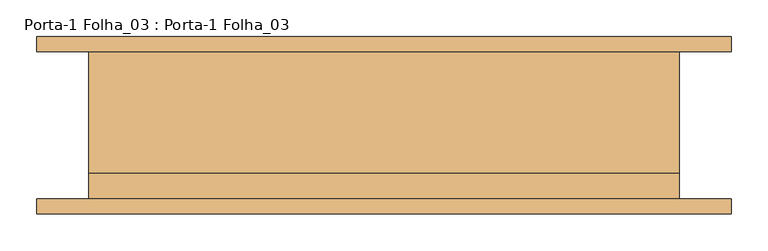
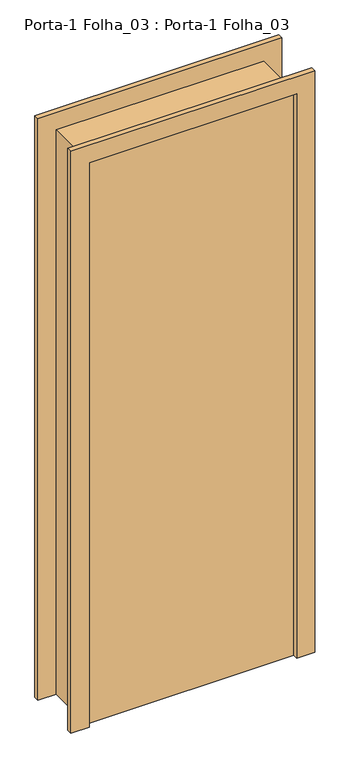
"""IFC4 building model written with IfcOpenShell, lengths in millimetres: door geometry, Porta-1 Folha_03 : Porta-1 Folha_03."""

from ifc_helpers import new_model, si_unit, frame, origin, origin_with_axes, place, context, project, spatial, polyline, outline, extrude, source, transform, mapped, element, save


def porta_1_folha_03_porta_1_folha_03_d6f2cf62(model_context):
    return source(origin(), model_context, "Body", "SweptSolid", [
        extrude(outline(polyline([(400.0, -65.0), (400.0, -100.0), (-400.0, -100.0), (-400.0, -65.0), (400.0, -65.0)])), origin_with_axes(), (0.0, 0.0, 1.0), 2300.0),
        extrude(outline(polyline([(0.0, 390.0), (0.0, 400.0), (2300.0, 400.0), (2300.0, -400.0), (0.0, -400.0), (0.0, -390.0), (2290.0, -390.0), (2290.0, 390.0), (0.0, 390.0)])), frame((0.0, -65.0, 0.0), z_axis=(0.0, 1.0, 0.0), x_axis=(0.0, 0.0, 1.0)), (0.0, 0.0, 1.0), 165.0),
        extrude(outline(polyline([(0.0, 400.0), (0.0, 470.0), (2370.0, 470.0), (2370.0, -470.0), (0.0, -470.0), (0.0, -400.0), (2300.0, -400.0), (2300.0, 400.0), (0.0, 400.0)])), frame((0.0, -120.0, 0.0), z_axis=(0.0, 1.0, 0.0), x_axis=(0.0, 0.0, 1.0)), (0.0, 0.0, 1.0), 20.0),
        extrude(outline(polyline([(0.0, 400.0), (0.0, 470.0), (2370.0, 470.0), (2370.0, -470.0), (0.0, -470.0), (0.0, -400.0), (2300.0, -400.0), (2300.0, 400.0), (0.0, 400.0)])), frame((0.0, 100.0, 0.0), z_axis=(0.0, 1.0, 0.0), x_axis=(0.0, 0.0, 1.0)), (0.0, 0.0, 1.0), 20.0),
    ])


if __name__ == "__main__":
    model = new_model("IFC4")
    model_context = context("Model", 3, world=origin())
    ifc_project = project(units=[si_unit("LENGTHUNIT", "METRE", prefix="MILLI")], contexts=[model_context])
    site = spatial("IfcSite", under=ifc_project)
    building = spatial("IfcBuilding", under=site)
    placement = place(None, origin())
    porta_1_folha_03_porta_1_folha_03_shape = porta_1_folha_03_porta_1_folha_03_d6f2cf62(model_context)
    element("IfcDoor", 1, ObjectType="Porta-1 Folha_03 : Porta-1 Folha_03", at=placement, inside=building, context=model_context, shape_type="MappedRepresentation", body=[
        mapped(porta_1_folha_03_porta_1_folha_03_shape, transform((0.0, 0.0, 0.0), x_axis=(1.0, 0.0, 0.0), y_axis=(0.0, 1.0, 0.0), z_axis=(0.0, 0.0, 1.0))),
    ])
    save(model, "model.ifc")
